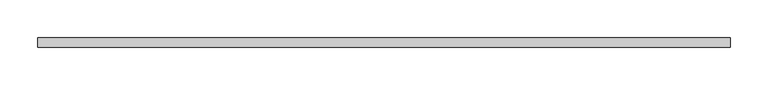
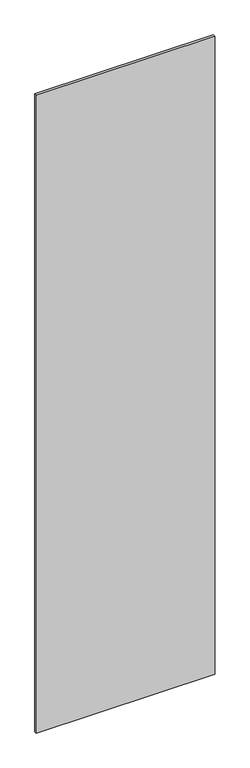
"""IFC4 building model written with IfcOpenShell, lengths in millimetres: plate geometry."""

from ifc_helpers import new_model, si_unit, origin, origin_with_axes, place, context, project, spatial, polyline, outline, extrude, source, transform, mapped, element, save


def plate_98b1b806(model_context):
    return source(origin(), model_context, "Body", "SweptSolid", [
        extrude(outline(polyline([(455.5000002, -6.0), (-455.5000002, -6.0), (-455.5000002, 6.0), (455.5000002, 6.0), (455.5000002, -6.0)])), origin_with_axes(), (0.0, 0.0, 1.0), 3443.0),
    ])


if __name__ == "__main__":
    model = new_model("IFC4")
    model_context = context("Model", 3, world=origin())
    ifc_project = project(units=[si_unit("LENGTHUNIT", "METRE", prefix="MILLI")], contexts=[model_context])
    site = spatial("IfcSite", under=ifc_project)
    building = spatial("IfcBuilding", under=site)
    placement = place(None, origin())
    plate_shape = plate_98b1b806(model_context)
    element("IfcPlate", 1, at=placement, inside=building, context=model_context, shape_type="MappedRepresentation", body=[
        mapped(plate_shape, transform((0.0, 0.0, 0.0), x_axis=(1.0, 0.0, 0.0), y_axis=(0.0, 1.0, 0.0), z_axis=(0.0, 0.0, 1.0))),
    ])
    save(model, "model.ifc")
